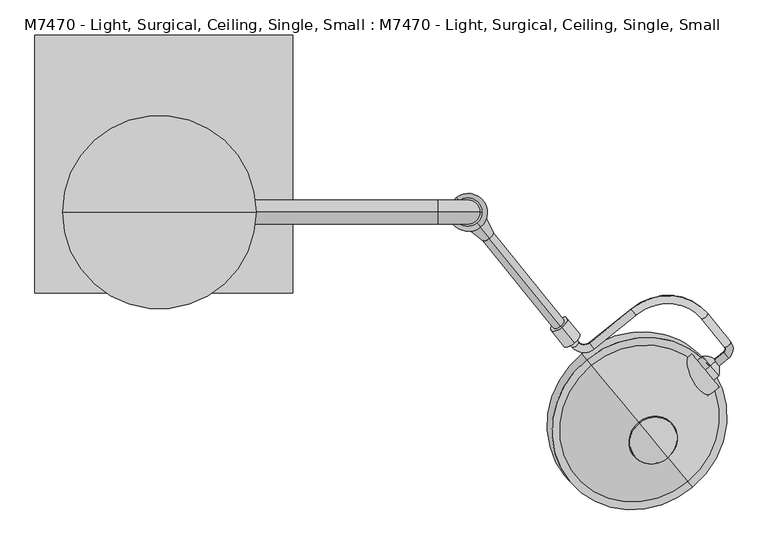
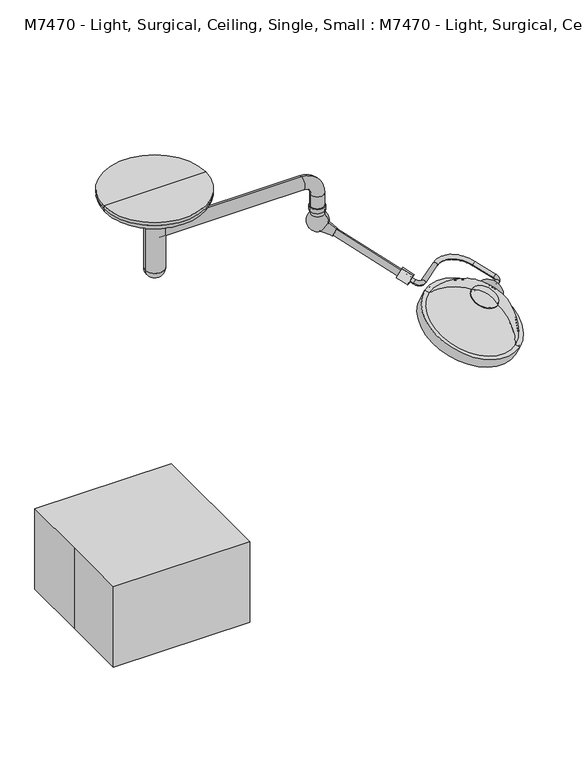
"""IFC4 building model written with IfcOpenShell, lengths in millimetres: proxy geometry, M7470 - Light, Surgical, Ceiling, Single, Small : M7470 - Light, Surgical, Ceiling, Single, Small."""

from ifc_helpers import new_model, si_unit, point, frame, frame_2d, origin, origin_with_axes, origin_2d, place, context, project, spatial, polyline, circle_curve, ellipse_curve, trimmed, segment, composite_curve, outline, extrude, source, transform, mapped, element, save
from ifc_brep_helpers import plane_surface, cylinder_surface, revolved_surface, advanced_brep


def m7470_light_surgical_ceiling_single_small_m7470_light_b6bf849b(model_context):
    return source(origin(), model_context, "Body", "SolidModel", [
        advanced_brep(
        [(1740.835031, -642.2802758, 1788.6604265), (1726.2322463, -624.2473385, 1798.9915373), (1777.4892739, -612.5982552, 1788.6604265), (1762.8864892, -594.5653179, 1798.9915373), (1765.4548505, -577.5564802, 1804.1570926), (1785.194358, -561.5717423, 1804.1570926), (1712.7149421, -472.0671177, 1855.4344952), (1692.9754347, -488.0518556, 1855.4344952), (1486.9216817, -475.7626592, 1917.4211596), (1472.318897, -457.7297218, 1927.7522704), (1340.6688003, -564.3378681, 1927.7522704), (1355.271585, -582.3708055, 1917.4211596), (1286.5870007, -578.2744067, 1938.0833811), (1306.3265081, -562.2896687, 1938.0833811), (1251.0372497, -494.0131207, 1977.1991704), (1231.2977423, -509.9978587, 1977.1991704)],
        [
            (0, 1, circle_curve(frame((1733.5336387, -633.2638072, 1793.8259819), z_axis=(-0.7771459614569792, -0.6293203910498273, 0.0), x_axis=(-0.5749127846454345, 0.7099581630143155, 0.40673664307580054)), 12.7)),
            (1, 0, circle_curve(frame((1733.5336387, -633.2638072, 1793.8259819), z_axis=(-0.7771459614569792, -0.6293203910498273, 0.0), x_axis=(-0.5749127846454345, 0.7099581630143155, 0.40673664307580054)), 12.7)),
            (0, 2),
            (2, 3, circle_curve(frame((1770.1878816, -603.5817865, 1793.8259819), z_axis=(-0.7771459614569792, -0.6293203910498273, 0.0), x_axis=(-0.5749127846454345, 0.7099581630143155, 0.40673664307580054)), 12.7)),
            (3, 1),
            (3, 2, circle_curve(frame((1770.1878816, -603.5817865, 1793.8259819), z_axis=(-0.7771459614569792, -0.6293203910498273, 0.0), x_axis=(-0.5749127846454345, 0.7099581630143155, 0.40673664307580054)), 12.7)),
            (4, 3, circle_curve(frame((1755.5850968, -585.5488492, 1804.1570926), z_axis=(-0.2559676632747577, 0.31609373954292624, -0.9135454576426008), x_axis=(0.5749127846454357, -0.7099581630143145, -0.4067366430758004)), 12.7)),
            (2, 5, circle_curve(frame((1755.5850968, -585.5488492, 1804.1570926), z_axis=(0.2559676632747577, -0.31609373954292624, 0.9135454576426008), x_axis=(0.5749127846454357, -0.7099581630143145, -0.4067366430758004)), 38.1)),
            (5, 4, circle_curve(frame((1775.3246043, -569.5641113, 1804.1570926), z_axis=(0.57491278464543, -0.709958163014319, -0.4067366430758005), x_axis=(-0.7771459614569827, -0.6293203910498232, 0.0)), 12.7)),
            (4, 5, circle_curve(frame((1775.3246043, -569.5641113, 1804.1570926), z_axis=(0.5749127846454107, -0.7099581630143347, -0.4067366430758005), x_axis=(-0.777145961456997, -0.6293203910498055, 0.0)), 12.7)),
            (5, 6),
            (6, 7, circle_curve(frame((1702.8451884, -480.0594867, 1855.4344952), z_axis=(0.5749127846454346, -0.7099581630143152, -0.40673664307580043), x_axis=(-0.777145961456979, -0.6293203910498273, 0.0)), 12.7)),
            (7, 4),
            (7, 6, circle_curve(frame((1702.8451884, -480.0594867, 1855.4344952), z_axis=(0.5749127846454346, -0.7099581630143152, -0.40673664307580043), x_axis=(-0.777145961456979, -0.6293203910498273, 0.0)), 12.7)),
            (8, 7, circle_curve(frame((1574.5383901, -583.9602832, 1855.4344952), z_axis=(-0.2559676632747577, 0.31609373954292624, -0.9135454576426008), x_axis=(0.7771459614569818, 0.6293203910498242, 0.0)), 152.4)),
            (6, 9, circle_curve(frame((1574.5383901, -583.9602832, 1855.4344952), z_axis=(0.2559676632747577, -0.31609373954292624, 0.9135454576426008), x_axis=(0.7771459614569818, 0.6293203910498242, 0.0)), 177.8)),
            (9, 8, circle_curve(frame((1479.6202894, -466.7461905, 1922.586715), z_axis=(0.7771459614569788, 0.629320391049828, 0.0), x_axis=(0.5749127846454353, -0.7099581630143151, -0.4067366430758004)), 12.7)),
            (8, 9, circle_curve(frame((1479.6202894, -466.7461905, 1922.586715), z_axis=(0.7771459614569776, 0.6293203910498293, 0.0), x_axis=(0.5749127846454368, -0.7099581630143139, -0.4067366430758004)), 12.7)),
            (9, 10),
            (10, 11, circle_curve(frame((1347.9701926, -573.3543368, 1922.586715), z_axis=(0.777145961456978, 0.6293203910498286, 0.0), x_axis=(0.574912784645436, -0.7099581630143144, -0.4067366430758003)), 12.7)),
            (11, 8),
            (11, 10, circle_curve(frame((1347.9701926, -573.3543368, 1922.586715), z_axis=(0.777145961456978, 0.6293203910498286, 0.0), x_axis=(0.574912784645436, -0.7099581630143144, -0.4067366430758003)), 12.7)),
            (12, 11, circle_curve(frame((1326.0660155, -546.3049308, 1938.0833811), z_axis=(0.2559676632747577, -0.31609373954292624, 0.9135454576426008), x_axis=(0.5749127846454407, -0.7099581630143105, -0.4067366430758004)), 50.8)),
            (10, 13, circle_curve(frame((1326.0660155, -546.3049308, 1938.0833811), z_axis=(-0.2559676632747577, 0.31609373954292624, -0.9135454576426008), x_axis=(0.5749127846454407, -0.7099581630143105, -0.4067366430758004)), 25.4)),
            (13, 12, circle_curve(frame((1296.4567544, -570.2820377, 1938.0833811), z_axis=(0.5749127846454364, -0.7099581630143139, -0.40673664307580054), x_axis=(-0.777145961456978, -0.6293203910498291, 0.0)), 12.7)),
            (12, 13, circle_curve(frame((1296.4567544, -570.2820377, 1938.0833811), z_axis=(0.5749127846454343, -0.7099581630143156, -0.40673664307580054), x_axis=(-0.7771459614569796, -0.6293203910498272, 0.0)), 12.7)),
            (14, 15, circle_curve(frame((1241.167496, -502.0054897, 1977.1991704), z_axis=(-0.5749127846454374, 0.7099581630143132, 0.40673664307580004), x_axis=(-0.7771459614569771, -0.6293203910498298, 0.0)), 12.7)),
            (15, 14, circle_curve(frame((1241.167496, -502.0054897, 1977.1991704), z_axis=(-0.5749127846454374, 0.7099581630143132, 0.40673664307580004), x_axis=(-0.7771459614569771, -0.6293203910498298, 0.0)), 12.7)),
            (13, 14),
            (15, 12),
        ],
        [
            plane_surface(frame((1306.7585861, -106.2405083, 270.6710423), z_axis=(-0.7771459614569792, -0.6293203910498271, 0.0), x_axis=(0.2559676632747578, -0.3160937395429264, 0.9135454576426008))),
            cylinder_surface(frame((1733.5336387, -633.2638072, 1793.8259819), z_axis=(-0.7771459614569792, -0.6293203910498273, 0.0), x_axis=(-0.5749127846454345, 0.7099581630143155, 0.40673664307580054)), 12.7),
            revolved_surface(trimmed(ellipse_curve(frame((1770.1878816, -603.5817865, 1793.8259819), z_axis=(-0.7771459614569786, -0.6293203910498283, 0.0), x_axis=(-0.5749127846454356, 0.7099581630143146, 0.40673664307580043)), 12.7, 12.7), [point((1777.4892739, -612.5982552, 1788.6604265))], [point((1762.8864892, -594.5653179, 1798.9915373))], True, "CARTESIAN"), (1328.8100443, -58.5255503, 281.0021531), (0.25596766327475773, -0.3160937395429263, 0.913545457642601)),
            revolved_surface(trimmed(ellipse_curve(frame((1770.1878816, -603.5817865, 1793.8259819), z_axis=(-0.7771459614569786, -0.6293203910498283, 0.0), x_axis=(-0.5749127846454356, 0.7099581630143146, 0.40673664307580043)), 12.7, 12.7), [point((1762.8864892, -594.5653179, 1798.9915373))], [point((1777.4892739, -612.5982552, 1788.6604265))], True, "CARTESIAN"), (1328.8100443, -58.5255503, 281.0021531), (0.25596766327475773, -0.3160937395429263, 0.913545457642601)),
            cylinder_surface(frame((1775.3246043, -569.5641113, 1804.1570926), z_axis=(0.5749127846454346, -0.7099581630143152, -0.40673664307580043), x_axis=(-0.777145961456979, -0.6293203910498273, 0.0)), 12.7),
            revolved_surface(trimmed(ellipse_curve(frame((1702.8451884, -480.0594867, 1855.4344952), z_axis=(0.5749127846454308, -0.7099581630143185, -0.4067366430758007), x_axis=(-0.777145961456982, -0.6293203910498238, 0.0)), 12.7, 12.7), [point((1712.7149421, -472.0671177, 1855.4344952))], [point((1692.9754347, -488.0518556, 1855.4344952))], True, "CARTESIAN"), (1147.7633376, -56.9369844, 332.2795556), (0.25596766327475773, -0.3160937395429263, 0.913545457642601)),
            revolved_surface(trimmed(ellipse_curve(frame((1702.8451884, -480.0594867, 1855.4344952), z_axis=(0.5749127846454308, -0.7099581630143185, -0.4067366430758007), x_axis=(-0.777145961456982, -0.6293203910498238, 0.0)), 12.7, 12.7), [point((1692.9754347, -488.0518556, 1855.4344952))], [point((1712.7149421, -472.0671177, 1855.4344952))], True, "CARTESIAN"), (1147.7633376, -56.9369844, 332.2795556), (0.25596766327475773, -0.3160937395429263, 0.913545457642601)),
            cylinder_surface(frame((1479.6202894, -466.7461905, 1922.586715), z_axis=(0.7771459614569782, 0.6293203910498287, 0.0), x_axis=(0.574912784645436, -0.7099581630143144, -0.4067366430758003)), 12.7),
            revolved_surface(trimmed(ellipse_curve(frame((1347.9701926, -573.3543368, 1922.586715), z_axis=(0.777145961456975, 0.629320391049833, 0.0), x_axis=(0.5749127846454405, -0.7099581630143107, -0.4067366430758002)), 12.7, 12.7), [point((1340.6688003, -564.3378681, 1927.7522704))], [point((1355.271585, -582.3708055, 1917.4211596))], True, "CARTESIAN"), (899.290963, -19.2816319, 414.9284415), (-0.25596766327475773, 0.3160937395429263, -0.913545457642601)),
            revolved_surface(trimmed(ellipse_curve(frame((1347.9701926, -573.3543368, 1922.586715), z_axis=(0.777145961456975, 0.629320391049833, 0.0), x_axis=(0.5749127846454405, -0.7099581630143107, -0.4067366430758002)), 12.7, 12.7), [point((1355.271585, -582.3708055, 1917.4211596))], [point((1340.6688003, -564.3378681, 1927.7522704))], True, "CARTESIAN"), (899.290963, -19.2816319, 414.9284415), (-0.25596766327475773, 0.3160937395429263, -0.913545457642601)),
            plane_surface(frame((814.3924435, 25.0178092, 454.0442308), z_axis=(-0.5749127846454377, 0.7099581630143132, 0.4067366430758001), x_axis=(0.25596766327475756, -0.3160937395429259, 0.9135454576426011))),
            cylinder_surface(frame((1296.4567544, -570.2820377, 1938.0833811), z_axis=(0.5749127846454374, -0.7099581630143132, -0.40673664307580004), x_axis=(-0.7771459614569771, -0.6293203910498298, 0.0)), 12.7),
        ],
        [
            (0, [[1, 2]]),
            (1, [[-1, 3, 4, 5]]),
            (1, [[-2, -5, 6, -3]]),
            (2, [[7, -4, 8, 9]]),
            (3, [[-8, -6, -7, 10]]),
            (4, [[-9, 11, 12, 13]]),
            (4, [[-10, -13, 14, -11]]),
            (5, [[15, -12, 16, 17]]),
            (6, [[-16, -14, -15, 18]]),
            (7, [[-17, 19, 20, 21]]),
            (7, [[-18, -21, 22, -19]]),
            (8, [[23, -20, 24, 25]]),
            (9, [[-24, -22, -23, 26]]),
            (10, [[27, 28]]),
            (11, [[-25, 29, -28, 30]]),
            (11, [[-26, -30, -27, -29]]),
        ],
    ),
        advanced_brep(
        [(1721.261074, -637.7345795, 1750.993259), (1721.261074, -637.7345795, 1832.2108067), (1705.2225201, -651.0325107, 1832.2108067), (1705.2225201, -651.0325107, 1750.993259), (1741.0506282, -621.3266083, 1791.6020328), (1705.2225201, -651.0325107, 1791.6020328)],
        [
            (0, 1, circle_curve(frame((1721.261074, -637.7345795, 1791.6020328), z_axis=(-0.7698129796821993, -0.6382695169854298, 0.0), x_axis=(0.0, 0.0, 1.0)), 40.6087738)),
            (1, 2),
            (2, 3, circle_curve(frame((1705.2225201, -651.0325107, 1791.6020328), z_axis=(0.7698129796821993, 0.6382695169854298, 0.0), x_axis=(0.0, 0.0, 1.0)), 40.6087738)),
            (3, 0),
            (1, 0, circle_curve(frame((1721.261074, -637.7345795, 1791.6020328), z_axis=(-0.7698129796821993, -0.6382695169854298, 0.0), x_axis=(0.0, 0.0, 1.0)), 40.6087738)),
            (3, 2, circle_curve(frame((1705.2225201, -651.0325107, 1791.6020328), z_axis=(0.7698129796821993, 0.6382695169854298, 0.0), x_axis=(0.0, 0.0, 1.0)), 40.6087738)),
            (4, 1, circle_curve(frame((1698.880381, -656.290923, 1785.3653606), z_axis=(0.6382695169854297, -0.7698129796821994, 0.0), x_axis=(-0.7698129796821995, -0.6382695169854296, 0.0)), 55.1337385)),
            (0, 4, circle_curve(frame((1698.880381, -656.290923, 1797.8387051), z_axis=(0.6382695169854301, -0.769812979682199, 0.0), x_axis=(-0.7698129796821991, -0.63826951698543, 0.0)), 55.1337385)),
            (2, 5),
            (5, 3),
        ],
        [
            cylinder_surface(frame((1705.2225201, -651.0325107, 1791.6020328), z_axis=(0.7698129796821993, 0.6382695169854298, 0.0), x_axis=(0.0, 0.0, 1.0)), 40.6087738),
            revolved_surface(trimmed(ellipse_curve(frame((1698.880381, -656.290923, 1785.3653606), z_axis=(-0.6382695169854297, 0.7698129796821994, 0.0), x_axis=(-0.7698129796821995, -0.6382695169854296, 0.0)), 55.1337385, 55.1337385), [point((1721.261074, -637.7345795, 1832.2108067))], [point((1741.0506282, -621.3266083, 1791.6020328))], True, "CARTESIAN"), (1705.2225201, -651.0325107, 1791.6020328), (0.7698129796821993, 0.6382695169854298, 0.0)),
            revolved_surface(trimmed(ellipse_curve(frame((1698.880381, -656.290923, 1785.3653606), z_axis=(-0.6382695169854296, 0.7698129796821995, 0.0), x_axis=(-0.7698129796821996, -0.6382695169854294, 0.0)), 55.1337385, 55.1337385), [point((1721.261074, -637.7345795, 1832.2108067))], [point((1741.0506282, -621.3266083, 1791.6020328))], True, "CARTESIAN"), (1705.2225201, -651.0325107, 1791.6020328), (0.7698129796821993, 0.6382695169854298, 0.0)),
            plane_surface(frame((1705.2225201, -651.0325107, 1791.6020328), z_axis=(-0.7698129796821992, -0.6382695169854299, 0.0), x_axis=(0.0, 0.0, 1.0))),
        ],
        [
            (0, [[1, 2, 3, 4]]),
            (0, [[5, -4, 6, -2]]),
            (1, [[7, -1, 8]]),
            (2, [[-8, -5, -7]]),
            (3, [[-3, 9, 10]]),
            (3, [[-6, -10, -9]]),
        ],
    ),
        advanced_brep(
        [(1496.9081674, -817.6344001, 1971.5946884), (1587.2262401, -926.5664779, 1908.5927814), (1549.4769053, -881.037235, 1966.168084), (1495.0601272, -815.4054901, 1968.9876662), (1587.2262401, -926.5664779, 1904.6966478), (1545.2418093, -875.9293114, 1951.2650044)],
        [
            (0, 1, circle_curve(frame((1542.0672038, -872.100439, 1940.0937349), z_axis=(0.25960760071626565, -0.31311114715211635, 0.9135454576426013), x_axis=(0.5830882179937766, -0.7032591508229892, -0.4067366430757995)), 77.4480344)),
            (1, 2, circle_curve(frame((1480.1450063, -797.4164536, 1795.4205002), z_axis=(-0.7698129796821995, -0.6382695169854299, 0.0), x_axis=(-0.6382695169854299, 0.7698129796821994, 0.0)), 202.3711557)),
            (2, 0, circle_curve(frame((1514.8788649, -839.308749, 1771.1916913), z_axis=(-0.7698129796821976, -0.6382695169854321, 0.0), x_axis=(0.42708566892083927, -0.5151054258776686, -0.7431448254773932)), 202.3711557)),
            (1, 0, circle_curve(frame((1542.0672038, -872.100439, 1940.0937349), z_axis=(0.25960760071626565, -0.31311114715211635, 0.9135454576426013), x_axis=(0.5830882179937766, -0.7032591508229892, -0.4067366430757995)), 77.4480344)),
            (3, 4, circle_curve(frame((1541.1431837, -870.985984, 1936.842157), z_axis=(0.25960760071626565, -0.31311114715211635, 0.9135454576426013), x_axis=(0.5830882179937766, -0.7032591508229892, -0.4067366430757995)), 79.0327347)),
            (4, 1),
            (0, 3),
            (4, 3, circle_curve(frame((1541.1431837, -870.985984, 1936.842157), z_axis=(0.25960760071626565, -0.31311114715211635, 0.9135454576426013), x_axis=(0.5830882179937766, -0.7032591508229892, -0.4067366430757995)), 79.0327347)),
            (5, 4, circle_curve(frame((1462.5480105, -776.192824, 1698.5195886), z_axis=(0.7698129796821995, 0.6382695169854299, 0.0), x_axis=(-0.6382695169854299, 0.7698129796821994, 0.0)), 284.0173877)),
            (3, 5, circle_curve(frame((1480.6908648, -798.0748102, 1685.8639329), z_axis=(0.7698129796821976, 0.6382695169854321, 0.0), x_axis=(0.42708566892083927, -0.5151054258776686, -0.7431448254773932)), 284.0173877)),
        ],
        [
            revolved_surface(trimmed(ellipse_curve(frame((1480.1450063, -797.4164536, 1795.4205002), z_axis=(0.7698129796821995, 0.6382695169854299, 0.0), x_axis=(-0.6382695169854299, 0.7698129796821994, 0.0)), 202.3711557, 202.3711557), [point((1549.4769053, -881.037235, 1966.168084))], [point((1587.2262401, -926.5664779, 1908.5927814))], True, "CARTESIAN"), (1516.9910853, -841.8562852, 1851.8521965), (-0.25960760071626565, 0.31311114715211635, -0.9135454576426013)),
            revolved_surface(trimmed(ellipse_curve(frame((1480.1450063, -797.4164536, 1795.4205002), z_axis=(0.7698129796821993, 0.6382695169854298, 0.0), x_axis=(-0.6382695169854298, 0.7698129796821993, 0.0)), 202.3711557, 202.3711557), [point((1549.4769053, -881.037235, 1966.168084))], [point((1587.2262401, -926.5664779, 1908.5927814))], True, "CARTESIAN"), (1516.9910853, -841.8562852, 1851.8521965), (-0.25960760071626565, 0.31311114715211635, -0.9135454576426013)),
            revolved_surface(polyline([(1587.2262401, -926.5664779, 1908.5927814), (1587.2262401, -926.5664779, 1904.6966478)]), (1516.9910853, -841.8562852, 1851.8521965), (-0.25960760071626565, 0.31311114715211635, -0.9135454576426013)),
            revolved_surface(trimmed(ellipse_curve(frame((1462.5480105, -776.192824, 1698.5195886), z_axis=(-0.7698129796821995, -0.6382695169854299, 0.0), x_axis=(-0.6382695169854299, 0.7698129796821994, 0.0)), 284.0173877, 284.0173877), [point((1587.2262401, -926.5664779, 1904.6966478))], [point((1545.2418093, -875.9293114, 1951.2650044))], True, "CARTESIAN"), (1516.9910853, -841.8562852, 1851.8521965), (-0.25960760071626565, 0.31311114715211635, -0.9135454576426013)),
            revolved_surface(trimmed(ellipse_curve(frame((1462.5480105, -776.192824, 1698.5195886), z_axis=(-0.7698129796821993, -0.6382695169854298, 0.0), x_axis=(-0.6382695169854298, 0.7698129796821993, 0.0)), 284.0173877, 284.0173877), [point((1587.2262401, -926.5664779, 1904.6966478))], [point((1545.2418093, -875.9293114, 1951.2650044))], True, "CARTESIAN"), (1516.9910853, -841.8562852, 1851.8521965), (-0.25960760071626565, 0.31311114715211635, -0.9135454576426013)),
        ],
        [
            (0, [[1, 2, 3]]),
            (1, [[4, -3, -2]]),
            (2, [[5, 6, -1, 7]]),
            (2, [[8, -7, -4, -6]]),
            (3, [[9, -5, 10]]),
            (4, [[-10, -8, -9]]),
        ],
    ),
        advanced_brep(
        [(1448.7501126, -759.5512633, 1611.7158117), (1441.3448922, -750.6198721, 1616.8813671), (1456.1553329, -768.4826545, 1606.5502563), (1451.1647669, -762.4635632, 1596.5425198), (1439.9372961, -748.922179, 1604.3743086), (1445.5510315, -755.6928711, 1600.4584142)],
        [
            (0, 1),
            (1, 2, circle_curve(frame((1448.7501126, -759.5512633, 1611.7158117), z_axis=(0.2596076007162656, -0.31311114715211635, 0.9135454576426013), x_axis=(-0.5830882179937766, 0.7032591508229892, 0.40673664307579943)), 12.7)),
            (2, 0),
            (2, 1, circle_curve(frame((1448.7501126, -759.5512633, 1611.7158117), z_axis=(0.2596076007162656, -0.31311114715211635, 0.9135454576426013), x_axis=(-0.5830882179937766, 0.7032591508229892, 0.40673664307579943)), 12.7)),
            (3, 4, circle_curve(frame((1445.5510315, -755.6928711, 1600.4584142), z_axis=(-0.2596076007162656, 0.31311114715211635, -0.9135454576426013), x_axis=(-0.5830882179937766, 0.7032591508229892, 0.40673664307579943)), 9.6275919)),
            (4, 5),
            (5, 3),
            (4, 3, circle_curve(frame((1445.5510315, -755.6928711, 1600.4584142), z_axis=(-0.2596076007162656, 0.31311114715211635, -0.9135454576426013), x_axis=(-0.5830882179937766, 0.7032591508229892, 0.40673664307579943)), 9.6275919)),
            (1, 4),
            (3, 2),
        ],
        [
            plane_surface(frame((1448.7501126, -759.5512633, 1611.7158117), z_axis=(0.25960760071626565, -0.31311114715211635, 0.9135454576426012), x_axis=(-0.5830882179937766, 0.7032591508229892, 0.40673664307579943))),
            plane_surface(frame((1445.5510315, -755.6928711, 1600.4584142), z_axis=(-0.25960760071626565, 0.31311114715211635, -0.9135454576426012), x_axis=(-0.5830882179937766, 0.7032591508229892, 0.40673664307579943))),
            revolved_surface(polyline([(1439.9372961, -748.922179, 1604.3743086), (1441.3448922, -750.6198721, 1616.8813671)]), (1475.1262448, -791.3633558, 1704.5320302), (0.2596076007162656, -0.31311114715211635, 0.9135454576426013)),
        ],
        [
            (0, [[1, 2, 3]]),
            (0, [[-3, 4, -1]]),
            (1, [[5, 6, 7]]),
            (1, [[8, -7, -6]]),
            (2, [[-2, 9, -5, 10]]),
            (2, [[-4, -10, -8, -9]]),
        ],
    ),
        advanced_brep(
        [(1475.1262448, -791.3633558, 1704.5320302), (1464.0184142, -777.966269, 1712.2803632), (1486.2340754, -804.7604427, 1696.7836971), (1459.8579431, -772.9483501, 1603.9674786), (1437.642282, -746.1541765, 1619.4641447), (1448.7501126, -759.5512633, 1611.7158117)],
        [
            (0, 1),
            (1, 2, circle_curve(frame((1475.1262448, -791.3633558, 1704.5320302), z_axis=(0.2596076007162656, -0.31311114715211635, 0.9135454576426013), x_axis=(-0.5830882179937766, 0.7032591508229892, 0.40673664307579943)), 19.05)),
            (2, 0),
            (2, 1, circle_curve(frame((1475.1262448, -791.3633558, 1704.5320302), z_axis=(0.2596076007162656, -0.31311114715211635, 0.9135454576426013), x_axis=(-0.5830882179937766, 0.7032591508229892, 0.40673664307579943)), 19.05)),
            (3, 4, circle_curve(frame((1448.7501126, -759.5512633, 1611.7158117), z_axis=(-0.2596076007162656, 0.31311114715211635, -0.9135454576426013), x_axis=(-0.5830882179937766, 0.7032591508229892, 0.40673664307579943)), 19.05)),
            (4, 5),
            (5, 3),
            (4, 3, circle_curve(frame((1448.7501126, -759.5512633, 1611.7158117), z_axis=(-0.2596076007162656, 0.31311114715211635, -0.9135454576426013), x_axis=(-0.5830882179937766, 0.7032591508229892, 0.40673664307579943)), 19.05)),
            (1, 4),
            (3, 2),
        ],
        [
            plane_surface(frame((1475.1262448, -791.3633558, 1704.5320302), z_axis=(0.25960760071626565, -0.31311114715211635, 0.9135454576426012), x_axis=(-0.5830882179937766, 0.7032591508229892, 0.40673664307579943))),
            plane_surface(frame((1448.7501126, -759.5512633, 1611.7158117), z_axis=(-0.25960760071626565, 0.31311114715211635, -0.9135454576426012), x_axis=(-0.5830882179937766, 0.7032591508229892, 0.40673664307579943))),
            cylinder_surface(frame((1475.1262448, -791.3633558, 1704.5320302), z_axis=(0.2596076007162656, -0.31311114715211635, 0.9135454576426013), x_axis=(-0.5830882179937766, 0.7032591508229892, 0.40673664307579943)), 19.05),
        ],
        [
            (0, [[1, 2, 3]]),
            (0, [[-3, 4, -1]]),
            (1, [[5, 6, 7]]),
            (1, [[8, -7, -6]]),
            (2, [[-2, 9, -5, 10]]),
            (2, [[-4, -10, -8, -9]]),
        ],
    ),
        advanced_brep(
        [(1480.0717696, -797.3281232, 1721.9350712), (1454.1534983, -766.0682539, 1740.0145149), (1505.9900409, -828.5879925, 1703.8556274), (1501.0445161, -822.6232251, 1686.4525864), (1449.2079735, -760.1034866, 1722.611474), (1475.1262448, -791.3633558, 1704.5320302)],
        [
            (0, 1),
            (1, 2, circle_curve(frame((1480.0717696, -797.3281232, 1721.9350712), z_axis=(0.2596076007162652, -0.31311114715211585, 0.9135454576426016), x_axis=(-0.5830882179937769, 0.7032591508229895, 0.4067366430757988)), 44.45)),
            (2, 0),
            (2, 1, circle_curve(frame((1480.0717696, -797.3281232, 1721.9350712), z_axis=(0.2596076007162652, -0.31311114715211585, 0.9135454576426016), x_axis=(-0.5830882179937769, 0.7032591508229895, 0.4067366430757988)), 44.45)),
            (3, 4, circle_curve(frame((1475.1262448, -791.3633558, 1704.5320302), z_axis=(-0.2596076007162652, 0.31311114715211585, -0.9135454576426016), x_axis=(-0.5830882179937769, 0.7032591508229895, 0.4067366430757988)), 44.45)),
            (4, 5),
            (5, 3),
            (4, 3, circle_curve(frame((1475.1262448, -791.3633558, 1704.5320302), z_axis=(-0.2596076007162652, 0.31311114715211585, -0.9135454576426016), x_axis=(-0.5830882179937769, 0.7032591508229895, 0.4067366430757988)), 44.45)),
            (1, 4),
            (3, 2),
        ],
        [
            plane_surface(frame((1480.0717696, -797.3281232, 1721.9350712), z_axis=(0.25960760071626526, -0.31311114715211585, 0.9135454576426016), x_axis=(-0.5830882179937769, 0.7032591508229895, 0.4067366430757988))),
            plane_surface(frame((1475.1262448, -791.3633558, 1704.5320302), z_axis=(-0.25960760071626526, 0.31311114715211585, -0.9135454576426016), x_axis=(-0.5830882179937769, 0.7032591508229895, 0.4067366430757988))),
            cylinder_surface(frame((1480.0717696, -797.3281232, 1721.9350712), z_axis=(0.2596076007162652, -0.31311114715211585, 0.9135454576426016), x_axis=(-0.5830882179937769, 0.7032591508229895, 0.4067366430757988)), 44.45),
        ],
        [
            (0, [[1, 2, 3]]),
            (0, [[-3, 4, -1]]),
            (1, [[5, 6, 7]]),
            (1, [[8, -7, -6]]),
            (2, [[-2, 9, -5, 10]]),
            (2, [[-4, -10, -8, -9]]),
        ],
    ),
        advanced_brep(
        [(1483.0837441, -800.9608473, 1732.5340505), (1449.7602524, -760.7695868, 1755.7790497), (1516.4072357, -841.1521078, 1709.2890514), (1510.3832868, -833.8866596, 1700.7910927), (1449.7602524, -760.7695868, 1743.0790497), (1480.0717696, -797.3281232, 1721.9350712)],
        [
            (0, 1),
            (1, 2, circle_curve(frame((1483.0837441, -800.9608473, 1732.5340505), z_axis=(0.25960760071626576, -0.3131111471521165, 0.9135454576426012), x_axis=(-0.5830882179937765, 0.7032591508229892, 0.40673664307579965)), 57.15)),
            (2, 0),
            (2, 1, circle_curve(frame((1483.0837441, -800.9608473, 1732.5340505), z_axis=(0.25960760071626576, -0.3131111471521165, 0.9135454576426012), x_axis=(-0.5830882179937765, 0.7032591508229892, 0.40673664307579965)), 57.15)),
            (3, 4, circle_curve(frame((1480.0717696, -797.3281232, 1721.9350712), z_axis=(-0.25960760071626576, 0.3131111471521165, -0.9135454576426012), x_axis=(-0.5830882179937765, 0.7032591508229892, 0.40673664307579965)), 51.9844446)),
            (4, 5),
            (5, 3),
            (4, 3, circle_curve(frame((1480.0717696, -797.3281232, 1721.9350712), z_axis=(-0.25960760071626576, 0.3131111471521165, -0.9135454576426012), x_axis=(-0.5830882179937765, 0.7032591508229892, 0.40673664307579965)), 51.9844446)),
            (1, 4),
            (3, 2),
        ],
        [
            plane_surface(frame((1483.0837441, -800.9608473, 1732.5340505), z_axis=(0.25960760071626576, -0.3131111471521165, 0.9135454576426012), x_axis=(-0.5830882179937765, 0.7032591508229892, 0.40673664307579965))),
            plane_surface(frame((1480.0717696, -797.3281232, 1721.9350712), z_axis=(-0.25960760071626576, 0.3131111471521165, -0.9135454576426012), x_axis=(-0.5830882179937765, 0.7032591508229892, 0.40673664307579965))),
            revolved_surface(polyline([(1449.7602524, -760.7695868, 1743.0790497), (1449.7602524, -760.7695868, 1755.7790497)]), (1483.0837441, -800.9608473, 1732.5340505), (0.25960760071626576, -0.3131111471521165, 0.9135454576426012)),
        ],
        [
            (0, [[1, 2, 3]]),
            (0, [[-3, 4, -1]]),
            (1, [[5, 6, 7]]),
            (1, [[8, -7, -6]]),
            (2, [[-2, 9, -5, 10]]),
            (2, [[-4, -10, -8, -9]]),
        ],
    ),
        extrude(outline(composite_curve([segment(polyline([(-25.1937137, -4.6953206), (31.6273953, -132.317621)]), True, "CONTINUOUS"), segment(trimmed(circle_curve(frame_2d((0.0, -69.9387006)), 69.9387006), [point((31.6273953, -132.317621))], [point((-25.1937137, -4.6953206))], False, "CARTESIAN"), True, "CONTINUOUS")], self_intersect=False)), frame((1594.6393305, -649.6721512, 1787.9600142), z_axis=(0.7698129796821992, 0.6382695169854299, 0.0), x_axis=(0.0, 0.0, -1.0)), (0.0, 0.0, 1.0), 84.2600986),
        advanced_brep(
        [(1346.1133009, -635.7616294, 1890.6370584), (1649.727336, -1001.9486693, 1678.8492884), (1545.2465329, -875.9350086, 1951.2816266), (1350.1582608, -640.640231, 1887.8154726), (1645.6823761, -997.0700677, 1681.6708742), (1543.5949178, -873.9430057, 1945.4696802)],
        [
            (0, 1, circle_curve(frame((1497.9203184, -818.8551493, 1784.7431734), z_axis=(0.2596076007162657, -0.31311114715211646, 0.9135454576426013), x_axis=(0.5830882179937766, -0.7032591508229892, -0.4067366430757996)), 260.35)),
            (1, 2, circle_curve(frame((1455.7322005, -767.972317, 1681.618951), z_axis=(-0.7698129796821995, -0.6382695169854298, 0.0), x_axis=(-0.6382695169854299, 0.7698129796821995, 0.0)), 303.9518334)),
            (2, 0, circle_curve(frame((1477.2351085, -793.9068435, 1666.6194701), z_axis=(-0.7698129796821976, -0.6382695169854323, 0.0), x_axis=(0.4270856689208392, -0.5151054258776685, -0.7431448254773935)), 303.9518334)),
            (1, 0, circle_curve(frame((1497.9203184, -818.8551493, 1784.7431734), z_axis=(0.2596076007162657, -0.31311114715211646, 0.9135454576426013), x_axis=(0.5830882179937766, -0.7032591508229892, -0.4067366430757996)), 260.35)),
            (3, 4, circle_curve(frame((1497.9203184, -818.8551493, 1784.7431734), z_axis=(0.2596076007162657, -0.31311114715211646, 0.9135454576426013), x_axis=(0.5830882179937766, -0.7032591508229892, -0.4067366430757996)), 253.412868)),
            (4, 1),
            (0, 3),
            (4, 3, circle_curve(frame((1497.9203184, -818.8551493, 1784.7431734), z_axis=(0.2596076007162657, -0.31311114715211646, 0.9135454576426013), x_axis=(0.5830882179937766, -0.7032591508229892, -0.4067366430757996)), 253.412868)),
            (5, 4, circle_curve(frame((1455.7322005, -767.972317, 1681.618951), z_axis=(0.7698129796821995, 0.6382695169854298, 0.0), x_axis=(-0.6382695169854299, 0.7698129796821995, 0.0)), 297.6018334)),
            (3, 5, circle_curve(frame((1477.2351085, -793.9068435, 1666.6194701), z_axis=(0.7698129796821976, 0.6382695169854323, 0.0), x_axis=(0.4270856689208392, -0.5151054258776685, -0.7431448254773935)), 297.6018334)),
        ],
        [
            revolved_surface(trimmed(ellipse_curve(frame((1455.7322005, -767.972317, 1681.618951), z_axis=(0.7698129796821995, 0.6382695169854298, 0.0), x_axis=(-0.6382695169854299, 0.7698129796821995, 0.0)), 303.9518334, 303.9518334), [point((1545.2465329, -875.9350086, 1951.2816266))], [point((1649.727336, -1001.9486693, 1678.8492884))], True, "CARTESIAN"), (1497.9203184, -818.8551493, 1784.7431734), (-0.2596076007162657, 0.31311114715211646, -0.9135454576426013)),
            revolved_surface(trimmed(ellipse_curve(frame((1455.7322005, -767.972317, 1681.618951), z_axis=(0.7698129796821995, 0.6382695169854299, 0.0), x_axis=(-0.6382695169854299, 0.7698129796821995, 0.0)), 303.9518334, 303.9518334), [point((1545.2465329, -875.9350086, 1951.2816266))], [point((1649.727336, -1001.9486693, 1678.8492884))], True, "CARTESIAN"), (1497.9203184, -818.8551493, 1784.7431734), (-0.2596076007162657, 0.31311114715211646, -0.9135454576426013)),
            plane_surface(frame((1497.9203184, -818.8551493, 1784.7431734), z_axis=(-0.25960760071626576, 0.31311114715211646, -0.9135454576426012), x_axis=(0.5830882179937766, -0.7032591508229892, -0.4067366430757996))),
            revolved_surface(trimmed(ellipse_curve(frame((1455.7322005, -767.972317, 1681.618951), z_axis=(-0.7698129796821995, -0.6382695169854298, 0.0), x_axis=(-0.6382695169854299, 0.7698129796821995, 0.0)), 297.6018334, 297.6018334), [point((1645.6823761, -997.0700677, 1681.6708742))], [point((1543.5949178, -873.9430057, 1945.4696802))], True, "CARTESIAN"), (1497.9203184, -818.8551493, 1784.7431734), (-0.2596076007162657, 0.31311114715211646, -0.9135454576426013)),
            revolved_surface(trimmed(ellipse_curve(frame((1455.7322005, -767.972317, 1681.618951), z_axis=(-0.7698129796821995, -0.6382695169854299, 0.0), x_axis=(-0.6382695169854299, 0.7698129796821995, 0.0)), 297.6018334, 297.6018334), [point((1645.6823761, -997.0700677, 1681.6708742))], [point((1543.5949178, -873.9430057, 1945.4696802))], True, "CARTESIAN"), (1497.9203184, -818.8551493, 1784.7431734), (-0.2596076007162657, 0.31311114715211646, -0.9135454576426013)),
        ],
        [
            (0, [[1, 2, 3]]),
            (1, [[4, -3, -2]]),
            (2, [[5, 6, -1, 7]]),
            (2, [[8, -7, -4, -6]]),
            (3, [[9, -5, 10]]),
            (4, [[-10, -8, -9]]),
        ],
    ),
        advanced_brep(
        [(1316.4662858, -600.0045449, 1848.7590463), (1649.7012024, -1001.9171496, 1616.3090547), (1664.5377767, -1019.8114517, 1668.5181777), (1331.3028602, -617.898847, 1900.9681692), (1320.168896, -604.4702405, 1846.1762686), (1645.9985922, -997.451454, 1618.8918324), (1333.3569621, -620.3762868, 1892.5843778), (1659.1866583, -1013.3575003, 1665.2999417), (1496.2718102, -816.8668936, 1778.9421598), (1497.9203184, -818.8551493, 1784.7431734)],
        [
            (0, 1, circle_curve(frame((1483.0837441, -800.9608473, 1732.5340505), z_axis=(0.2596076007162655, -0.3131111471521162, 0.9135454576426014), x_axis=(0.5830882179937767, -0.7032591508229893, -0.4067366430757992)), 285.75)),
            (1, 2),
            (2, 3, circle_curve(frame((1497.9203184, -818.8551493, 1784.7431734), z_axis=(-0.2596076007162655, 0.3131111471521162, -0.9135454576426014), x_axis=(0.5830882179937767, -0.7032591508229893, -0.4067366430757992)), 285.75)),
            (3, 0),
            (1, 0, circle_curve(frame((1483.0837441, -800.9608473, 1732.5340505), z_axis=(0.2596076007162655, -0.3131111471521162, 0.9135454576426014), x_axis=(0.5830882179937767, -0.7032591508229893, -0.4067366430757992)), 285.75)),
            (3, 2, circle_curve(frame((1497.9203184, -818.8551493, 1784.7431734), z_axis=(-0.2596076007162655, 0.3131111471521162, -0.9135454576426014), x_axis=(0.5830882179937767, -0.7032591508229893, -0.4067366430757992)), 285.75)),
            (4, 5, circle_curve(frame((1483.0837441, -800.9608473, 1732.5340505), z_axis=(0.2596076007162655, -0.3131111471521162, 0.9135454576426014), x_axis=(0.5830882179937767, -0.7032591508229893, -0.4067366430757992)), 279.4)),
            (5, 1),
            (0, 4),
            (5, 4, circle_curve(frame((1483.0837441, -800.9608473, 1732.5340505), z_axis=(0.2596076007162655, -0.3131111471521162, 0.9135454576426014), x_axis=(0.5830882179937767, -0.7032591508229893, -0.4067366430757992)), 279.4)),
            (6, 7, circle_curve(frame((1496.2718102, -816.8668936, 1778.9421598), z_axis=(0.2596076007162655, -0.3131111471521162, 0.9135454576426014), x_axis=(0.5830882179937767, -0.7032591508229893, -0.4067366430757992)), 279.4)),
            (7, 5),
            (4, 6),
            (7, 6, circle_curve(frame((1496.2718102, -816.8668936, 1778.9421598), z_axis=(0.2596076007162655, -0.3131111471521162, 0.9135454576426014), x_axis=(0.5830882179937767, -0.7032591508229893, -0.4067366430757992)), 279.4)),
            (8, 7),
            (6, 8),
            (2, 9),
            (9, 3),
        ],
        [
            cylinder_surface(frame((1483.0837441, -800.9608473, 1732.5340505), z_axis=(-0.2596076007162655, 0.3131111471521162, -0.9135454576426014), x_axis=(0.5830882179937767, -0.7032591508229893, -0.4067366430757992)), 285.75),
            plane_surface(frame((1483.0837441, -800.9608473, 1732.5340505), z_axis=(-0.2596076007162655, 0.3131111471521162, -0.9135454576426014), x_axis=(0.5830882179937767, -0.7032591508229893, -0.4067366430757992))),
            revolved_surface(polyline([(1645.9985921978723, -997.451454028378, 1618.8918323908786), (1659.1866583370233, -1013.3575003311619, 1665.2999417192307)]), (1483.0837441, -800.9608473, 1732.5340505), (-0.2596076007162655, 0.3131111471521162, -0.9135454576426014)),
            plane_surface(frame((1496.2718102, -816.8668936, 1778.9421598), z_axis=(-0.2596076007162655, 0.3131111471521162, -0.9135454576426014), x_axis=(0.5830882179937767, -0.7032591508229893, -0.4067366430757992))),
            plane_surface(frame((1497.9203184, -818.8551493, 1784.7431734), z_axis=(0.2596076007162655, -0.3131111471521162, 0.9135454576426014), x_axis=(0.5830882179937767, -0.7032591508229893, -0.4067366430757992))),
        ],
        [
            (0, [[1, 2, 3, 4]]),
            (0, [[5, -4, 6, -2]]),
            (1, [[7, 8, -1, 9]]),
            (1, [[10, -9, -5, -8]]),
            (2, [[11, 12, -7, 13]]),
            (2, [[14, -13, -10, -12]]),
            (3, [[15, -11, 16]]),
            (3, [[-16, -14, -15]]),
            (4, [[-3, 17, 18]]),
            (4, [[-6, -18, -17]]),
        ],
    ),
        advanced_brep(
        [(1235.7366669, -495.2989743, 1946.2919398), (1252.6252723, -516.1546651, 2003.8424843), (1244.1809696, -505.7268197, 1975.067212), (1275.5761712, -544.4966648, 1916.7720542), (1292.4647766, -565.3523556, 1974.3225987), (1284.0204739, -554.9245102, 1945.5473264)],
        [
            (0, 1, circle_curve(frame((1244.1809696, -505.7268197, 1975.067212), z_axis=(-0.5703579709494108, 0.7043334365325427, 0.42261826174069883), x_axis=(0.265962289743456, -0.32843607534975183, 0.9063077870366504)), 31.75)),
            (1, 2),
            (2, 0),
            (1, 0, circle_curve(frame((1244.1809696, -505.7268197, 1975.067212), z_axis=(-0.5703579709494108, 0.7043334365325427, 0.42261826174069883), x_axis=(0.265962289743456, -0.32843607534975183, 0.9063077870366504)), 31.75)),
            (3, 4, circle_curve(frame((1284.0204739, -554.9245102, 1945.5473264), z_axis=(-0.5703579709494108, 0.7043334365325427, 0.42261826174069883), x_axis=(0.265962289743456, -0.32843607534975183, 0.9063077870366504)), 31.75)),
            (4, 1),
            (0, 3),
            (4, 3, circle_curve(frame((1284.0204739, -554.9245102, 1945.5473264), z_axis=(-0.5703579709494108, 0.7043334365325427, 0.42261826174069883), x_axis=(0.265962289743456, -0.32843607534975183, 0.9063077870366504)), 31.75)),
            (5, 4),
            (3, 5),
        ],
        [
            plane_surface(frame((1244.1809696, -505.7268197, 1975.067212), z_axis=(-0.5703579709494109, 0.7043334365325429, 0.42261826174069894), x_axis=(0.265962289743456, -0.32843607534975183, 0.9063077870366504))),
            cylinder_surface(frame((1244.1809696, -505.7268197, 1975.067212), z_axis=(0.5703579709494108, -0.7043334365325427, -0.42261826174069883), x_axis=(0.265962289743456, -0.32843607534975183, 0.9063077870366504)), 31.75),
            plane_surface(frame((1284.0204739, -554.9245102, 1945.5473264), z_axis=(0.5703579709494109, -0.7043334365325429, -0.42261826174069894), x_axis=(0.265962289743456, -0.32843607534975183, 0.9063077870366504))),
        ],
        [
            (0, [[1, 2, 3]]),
            (0, [[4, -3, -2]]),
            (1, [[5, 6, -1, 7]]),
            (1, [[8, -7, -4, -6]]),
            (2, [[9, -5, 10]]),
            (2, [[-10, -8, -9]]),
        ],
    ),
        extrude(outline(composite_curve([segment(trimmed(circle_curve(origin_2d(), 20.2288163), [point((0.0, -20.2288163))], [point((0.0, 20.2288163))], False, "CARTESIAN"), True, "CONTINUOUS"), segment(trimmed(circle_curve(origin_2d(), 20.2288163), [point((0.0, 20.2288163))], [point((0.0, -20.2288163))], False, "CARTESIAN"), True, "CONTINUOUS")], self_intersect=False)), frame((1244.1809696, -505.7268197, 1975.067212), z_axis=(-0.5703579709494108, 0.7043334365325428, 0.4226182617406986), x_axis=(0.777145961456977, 0.62932039104983, 0.0)), (0.0, 0.0, 1.0), 393.7),
        advanced_brep(
        [(976.8515115, -175.602432, 2170.3066897), (967.849194, -164.4854957, 2136.6066358), (985.8538291, -186.7193684, 2204.0067436), (1024.9063629, -234.9452313, 2161.2001347), (1014.35571, -221.9162601, 2121.7039086), (1019.6310364, -228.4307457, 2141.4520217)],
        [
            (0, 1),
            (1, 2, circle_curve(frame((976.8515115, -175.602432, 2170.3066897), z_axis=(-0.5792924743379562, 0.7153666293621104, 0.3907311284892742), x_axis=(-0.24589506657621132, 0.3036551185209666, -0.9205048534524403)), 36.6104033)),
            (2, 0),
            (2, 1, circle_curve(frame((976.8515115, -175.602432, 2170.3066897), z_axis=(-0.5792924743379562, 0.7153666293621104, 0.3907311284892742), x_axis=(-0.24589506657621132, 0.3036551185209666, -0.9205048534524403)), 36.6104033)),
            (3, 4, circle_curve(frame((1019.6310364, -228.4307457, 2141.4520217), z_axis=(0.5792924743379562, -0.7153666293621104, -0.3907311284892742), x_axis=(-0.24589506657621132, 0.3036551185209666, -0.9205048534524403)), 21.4535676)),
            (4, 5),
            (5, 3),
            (4, 3, circle_curve(frame((1019.6310364, -228.4307457, 2141.4520217), z_axis=(0.5792924743379562, -0.7153666293621104, -0.3907311284892742), x_axis=(-0.24589506657621132, 0.3036551185209666, -0.9205048534524403)), 21.4535676)),
            (1, 4),
            (3, 2),
        ],
        [
            plane_surface(frame((976.8515115, -175.602432, 2170.3066897), z_axis=(-0.5792924743379563, 0.7153666293621104, 0.3907311284892742), x_axis=(-0.24589506657621132, 0.3036551185209666, -0.9205048534524403))),
            plane_surface(frame((1019.6310364, -228.4307457, 2141.4520217), z_axis=(0.5792924743379563, -0.7153666293621104, -0.3907311284892742), x_axis=(-0.24589506657621132, 0.3036551185209666, -0.9205048534524403))),
            revolved_surface(polyline([(1014.35571, -221.9162601, 2121.7039086), (967.849194, -164.4854957, 2136.6066358)]), (990.2029787, -192.0901209, 2161.301163), (-0.579292474337956, 0.7153666293621103, 0.3907311284892741)),
        ],
        [
            (0, [[1, 2, 3]]),
            (0, [[-3, 4, -1]]),
            (1, [[5, 6, 7]]),
            (1, [[8, -7, -6]]),
            (2, [[-2, 9, -5, 10]]),
            (2, [[-4, -10, -8, -9]]),
        ],
    ),
        advanced_brep(
        [(959.0523183, -153.6222589, 2264.862195), (935.0752114, -124.0129978, 2264.862195), (983.0294252, -183.23152, 2264.862195), (983.0294252, -183.23152, 2239.0869575), (935.0752114, -124.0129978, 2239.0869575), (959.0523183, -153.6222589, 2133.0286543)],
        [
            (0, 1),
            (1, 2, circle_curve(frame((959.0523183, -153.6222589, 2264.862195), z_axis=(0.0, 0.0, 1.0), x_axis=(-0.6293203910498301, 0.777145961456977, 0.0)), 38.1)),
            (2, 0),
            (2, 1, circle_curve(frame((959.0523183, -153.6222589, 2264.862195), z_axis=(0.0, 0.0, 1.0), x_axis=(-0.6293203910498301, 0.777145961456977, 0.0)), 38.1)),
            (3, 4, circle_curve(frame((959.0523183, -153.6222589, 2239.0869575), z_axis=(0.0, 0.0, -1.0), x_axis=(-0.6293203910498301, 0.777145961456977, 0.0)), 38.1)),
            (4, 5, circle_curve(frame((959.0523183, -153.6222589, 2192.9012588), z_axis=(-0.7771459614569771, -0.62932039104983, 0.0), x_axis=(-0.62932039104983, 0.7771459614569771, 0.0)), 59.8726045)),
            (5, 3, circle_curve(frame((959.0523183, -153.6222589, 2192.9012588), z_axis=(-0.7771459614569791, -0.6293203910498274, 0.0), x_axis=(0.6293203910498274, -0.7771459614569791, 0.0)), 59.8726045)),
            (4, 3, circle_curve(frame((959.0523183, -153.6222589, 2239.0869575), z_axis=(0.0, 0.0, -1.0), x_axis=(-0.6293203910498301, 0.777145961456977, 0.0)), 38.1)),
            (1, 4),
            (3, 2),
        ],
        [
            plane_surface(frame((959.0523183, -153.6222589, 2264.862195), z_axis=(0.0, 0.0, 1.0000000000000002), x_axis=(-0.6293203910498301, 0.777145961456977, 0.0))),
            revolved_surface(trimmed(ellipse_curve(frame((959.0523183, -153.6222589, 2192.9012588), z_axis=(0.7771459614569771, 0.62932039104983, 0.0), x_axis=(-0.62932039104983, 0.7771459614569771, 0.0)), 59.8726045, 59.8726045), [point((959.0523183, -153.6222589, 2133.0286543))], [point((935.0752114, -124.0129978, 2239.0869575))], True, "CARTESIAN"), (959.0523183, -153.6222589, 2264.862195), (0.0, 0.0, 1.0)),
            cylinder_surface(frame((959.0523183, -153.6222589, 2264.862195), z_axis=(0.0, 0.0, 1.0), x_axis=(-0.6293203910498301, 0.777145961456977, 0.0)), 38.1),
        ],
        [
            (0, [[1, 2, 3]]),
            (0, [[-3, 4, -1]]),
            (1, [[5, 6, 7]]),
            (1, [[8, -7, -6]]),
            (2, [[-2, 9, -5, 10]]),
            (2, [[-4, -10, -8, -9]]),
        ],
    ),
        advanced_brep(
        [(912.6181725, -152.4, 2264.862195), (1001.5181725, -152.4, 2264.862195), (957.0681725, -152.4, 2264.862195), (912.6181725, -152.4, 2290.262195), (1001.5181725, -152.4, 2290.262195), (957.0681725, -152.4, 2290.262195)],
        [
            (0, 1, circle_curve(frame((957.0681725, -152.4, 2264.862195), z_axis=(0.0, 0.0, -1.0), x_axis=(1.0, 0.0, 0.0)), 44.45)),
            (1, 2),
            (2, 0),
            (1, 0, circle_curve(frame((957.0681725, -152.4, 2264.862195), z_axis=(0.0, 0.0, -1.0), x_axis=(1.0, 0.0, 0.0)), 44.45)),
            (3, 4, circle_curve(frame((957.0681725, -152.4, 2290.262195), z_axis=(0.0, 0.0, -1.0), x_axis=(1.0, 0.0, 0.0)), 44.45)),
            (4, 1),
            (0, 3),
            (4, 3, circle_curve(frame((957.0681725, -152.4, 2290.262195), z_axis=(0.0, 0.0, -1.0), x_axis=(1.0, 0.0, 0.0)), 44.45)),
            (5, 4),
            (3, 5),
        ],
        [
            plane_surface(frame((957.0681725, -152.4, 2264.862195), z_axis=(0.0, 0.0, -1.0), x_axis=(1.0, 0.0, 0.0))),
            cylinder_surface(frame((957.0681725, -152.4, 2290.262195), z_axis=(0.0, 0.0, 1.0), x_axis=(1.0, 0.0, 0.0)), 44.45),
            plane_surface(frame((957.0681725, -152.4, 2290.262195), z_axis=(0.0, 0.0, 1.0), x_axis=(1.0, 0.0, 0.0))),
        ],
        [
            (0, [[1, 2, 3]]),
            (0, [[4, -3, -2]]),
            (1, [[5, 6, -1, 7]]),
            (1, [[8, -7, -4, -6]]),
            (2, [[9, -5, 10]]),
            (2, [[-10, -8, -9]]),
        ],
    ),
        advanced_brep(
        [(0.0, -152.4, 2423.612195), (0.0, -152.4, 2499.812195), (861.8181725, -152.4, 2423.612195), (861.8181725, -152.4, 2499.812195), (995.1681725, -152.4, 2366.462195), (918.9681725, -152.4, 2366.462195), (918.9681725, -152.4, 2290.262195), (995.1681725, -152.4, 2290.262195)],
        [
            (0, 1, circle_curve(frame((0.0, -152.4, 2461.712195), z_axis=(-1.0, 0.0, 0.0), x_axis=(0.0, 0.0, 1.0)), 38.1)),
            (1, 0, circle_curve(frame((0.0, -152.4, 2461.712195), z_axis=(-1.0, 0.0, 0.0), x_axis=(0.0, 0.0, 1.0)), 38.1)),
            (0, 2),
            (2, 3, circle_curve(frame((861.8181725, -152.4, 2461.712195), z_axis=(-1.0, 0.0, 0.0), x_axis=(0.0, 0.0, 1.0)), 38.1)),
            (3, 1),
            (3, 2, circle_curve(frame((861.8181725, -152.4, 2461.712195), z_axis=(-1.0, 0.0, 0.0), x_axis=(0.0, 0.0, 1.0)), 38.1)),
            (4, 3, circle_curve(frame((861.8181725, -152.4, 2366.462195), z_axis=(0.0, -1.0, 0.0), x_axis=(0.0, 0.0, 1.0)), 133.35)),
            (2, 5, circle_curve(frame((861.8181725, -152.4, 2366.462195), z_axis=(0.0, 1.0, 0.0), x_axis=(0.0, 0.0, 1.0)), 57.15)),
            (5, 4, circle_curve(frame((957.0681725, -152.4, 2366.462195), z_axis=(0.0, 0.0, 1.0), x_axis=(1.0, 0.0, 0.0)), 38.1)),
            (4, 5, circle_curve(frame((957.0681725, -152.4, 2366.462195), z_axis=(0.0, 0.0, 1.0), x_axis=(1.0, 0.0, 0.0)), 38.1)),
            (6, 7, circle_curve(frame((957.0681725, -152.4, 2290.262195), z_axis=(0.0, 0.0, -1.0), x_axis=(1.0, 0.0, 0.0)), 38.1)),
            (7, 6, circle_curve(frame((957.0681725, -152.4, 2290.262195), z_axis=(0.0, 0.0, -1.0), x_axis=(1.0, 0.0, 0.0)), 38.1)),
            (5, 6),
            (7, 4),
        ],
        [
            plane_surface(frame((0.0, -152.4, 2461.712195), z_axis=(-1.0, 0.0, 0.0), x_axis=(0.0, -1.0, 0.0))),
            cylinder_surface(frame((0.0, -152.4, 2461.712195), z_axis=(-1.0, 0.0, 0.0), x_axis=(0.0, 0.0, 1.0)), 38.1),
            revolved_surface(trimmed(ellipse_curve(frame((861.8181725, -152.4, 2461.712195), z_axis=(-1.0, 0.0, 0.0), x_axis=(0.0, 0.0, 1.0)), 38.1, 38.1), [point((861.8181725, -152.4, 2423.612195))], [point((861.8181725, -152.4, 2499.812195))], True, "CARTESIAN"), (861.8181725, -152.4, 2366.462195), (0.0, 1.0, 0.0)),
            revolved_surface(trimmed(ellipse_curve(frame((861.8181725, -152.4, 2461.712195), z_axis=(-1.0, 0.0, 0.0), x_axis=(0.0, 0.0, 1.0)), 38.1, 38.1), [point((861.8181725, -152.4, 2499.812195))], [point((861.8181725, -152.4, 2423.612195))], True, "CARTESIAN"), (861.8181725, -152.4, 2366.462195), (0.0, 1.0, 0.0)),
            plane_surface(frame((957.0681725, -152.4, 2290.262195), z_axis=(0.0, 0.0, -1.0), x_axis=(0.0, -1.0, 0.0))),
            cylinder_surface(frame((957.0681725, -152.4, 2366.462195), z_axis=(0.0, 0.0, 1.0), x_axis=(1.0, 0.0, 0.0)), 38.1),
        ],
        [
            (0, [[1, 2]]),
            (1, [[-1, 3, 4, 5]]),
            (1, [[-2, -5, 6, -3]]),
            (2, [[7, -4, 8, 9]]),
            (3, [[-8, -6, -7, 10]]),
            (4, [[11, 12]]),
            (5, [[-9, 13, -12, 14]]),
            (5, [[-10, -14, -11, -13]]),
        ],
    ),
        advanced_brep(
        [(-14.387671, -152.4, 2688.1770044), (42.762329, -152.4, 2688.1770044), (-71.537671, -152.4, 2688.1770044), (-20.737671, -152.4, 2184.3921178), (-8.037671, -152.4, 2184.3921178), (-14.387671, -152.4, 2184.3921178), (-71.537671, -152.4, 2235.1921178), (42.762329, -152.4, 2235.1921178)],
        [
            (0, 1),
            (1, 2, circle_curve(frame((-14.387671, -152.4, 2688.1770044), z_axis=(0.0, 0.0, 1.0), x_axis=(1.0, 0.0, 0.0)), 57.15)),
            (2, 0),
            (2, 1, circle_curve(frame((-14.387671, -152.4, 2688.1770044), z_axis=(0.0, 0.0, 1.0), x_axis=(1.0, 0.0, 0.0)), 57.15)),
            (3, 4, circle_curve(frame((-14.387671, -152.4, 2184.3921178), z_axis=(0.0, 0.0, -1.0), x_axis=(1.0, 0.0, 0.0)), 6.35)),
            (4, 5),
            (5, 3),
            (4, 3, circle_curve(frame((-14.387671, -152.4, 2184.3921178), z_axis=(0.0, 0.0, -1.0), x_axis=(1.0, 0.0, 0.0)), 6.35)),
            (6, 7, circle_curve(frame((-14.387671, -152.4, 2235.1921178), z_axis=(0.0, 0.0, -1.0), x_axis=(1.0, 0.0, 0.0)), 57.15)),
            (7, 4, circle_curve(frame((-8.037671, -152.4, 2235.1921178), z_axis=(0.0, 1.0, 0.0), x_axis=(1.0, 0.0, 0.0)), 50.8)),
            (3, 6, circle_curve(frame((-20.737671, -152.4, 2235.1921178), z_axis=(0.0, 1.0, 0.0), x_axis=(-1.0, 0.0, 0.0)), 50.8)),
            (7, 6, circle_curve(frame((-14.387671, -152.4, 2235.1921178), z_axis=(0.0, 0.0, -1.0), x_axis=(1.0, 0.0, 0.0)), 57.15)),
            (1, 7),
            (6, 2),
        ],
        [
            plane_surface(frame((-14.387671, -152.4, 2688.1770044), z_axis=(0.0, 0.0, 1.0), x_axis=(1.0, 0.0, 0.0))),
            plane_surface(frame((-14.387671, -152.4, 2184.3921178), z_axis=(0.0, 0.0, -1.0), x_axis=(1.0, 0.0, 0.0))),
            revolved_surface(trimmed(ellipse_curve(frame((-8.037671, -152.4, 2235.1921178), z_axis=(0.0, -1.0, 0.0), x_axis=(1.0, 0.0, 0.0)), 50.8, 50.8), [point((-8.037671, -152.4, 2184.3921178))], [point((42.762329, -152.4, 2235.1921178))], True, "CARTESIAN"), (-14.387671, -152.4, 2654.2921178), (0.0, 0.0, 1.0)),
            cylinder_surface(frame((-14.387671, -152.4, 2654.2921178), z_axis=(0.0, 0.0, 1.0), x_axis=(1.0, 0.0, 0.0)), 57.15),
        ],
        [
            (0, [[1, 2, 3]]),
            (0, [[-3, 4, -1]]),
            (1, [[5, 6, 7]]),
            (1, [[8, -7, -6]]),
            (2, [[9, 10, -5, 11]]),
            (2, [[12, -11, -8, -10]]),
            (3, [[-2, 13, -9, 14]]),
            (3, [[-4, -14, -12, -13]]),
        ],
    ),
        advanced_brep(
        [(-14.4818275, -152.4, 2730.5), (290.3181725, -152.4, 2730.5), (-319.2818275, -152.4, 2730.5), (-281.1818275, -152.4, 2673.35), (252.2181725, -152.4, 2673.35), (-14.4818275, -152.4, 2673.35), (-319.2818275, -152.4, 2711.45), (290.3181725, -152.4, 2711.45)],
        [
            (0, 1),
            (1, 2, circle_curve(frame((-14.4818275, -152.4, 2730.5), z_axis=(0.0, 0.0, 1.0), x_axis=(1.0, 0.0, 0.0)), 304.8)),
            (2, 0),
            (2, 1, circle_curve(frame((-14.4818275, -152.4, 2730.5), z_axis=(0.0, 0.0, 1.0), x_axis=(1.0, 0.0, 0.0)), 304.8)),
            (3, 4, circle_curve(frame((-14.4818275, -152.4, 2673.35), z_axis=(0.0, 0.0, -1.0), x_axis=(1.0, 0.0, 0.0)), 266.7)),
            (4, 5),
            (5, 3),
            (4, 3, circle_curve(frame((-14.4818275, -152.4, 2673.35), z_axis=(0.0, 0.0, -1.0), x_axis=(1.0, 0.0, 0.0)), 266.7)),
            (6, 7, circle_curve(frame((-14.4818275, -152.4, 2711.45), z_axis=(0.0, 0.0, -1.0), x_axis=(1.0, 0.0, 0.0)), 304.8)),
            (7, 4, circle_curve(frame((252.2181725, -152.4, 2711.45), z_axis=(0.0, 1.0, 0.0), x_axis=(1.0, 0.0, 0.0)), 38.1)),
            (3, 6, circle_curve(frame((-281.1818275, -152.4, 2711.45), z_axis=(0.0, 1.0, 0.0), x_axis=(-1.0, 0.0, 0.0)), 38.1)),
            (7, 6, circle_curve(frame((-14.4818275, -152.4, 2711.45), z_axis=(0.0, 0.0, -1.0), x_axis=(1.0, 0.0, 0.0)), 304.8)),
            (1, 7),
            (6, 2),
        ],
        [
            plane_surface(frame((-14.4818275, -152.4, 2730.5), z_axis=(0.0, 0.0, 1.0), x_axis=(1.0, 0.0, 0.0))),
            plane_surface(frame((-14.4818275, -152.4, 2673.35), z_axis=(0.0, 0.0, -1.0), x_axis=(1.0, 0.0, 0.0))),
            revolved_surface(trimmed(ellipse_curve(frame((252.2181725, -152.4, 2711.45), z_axis=(0.0, -1.0, 0.0), x_axis=(1.0, 0.0, 0.0)), 38.1, 38.1), [point((252.2181725, -152.4, 2673.35))], [point((290.3181725, -152.4, 2711.45))], True, "CARTESIAN"), (-14.4818275, -152.4, 2736.85), (0.0, 0.0, 1.0)),
            cylinder_surface(frame((-14.4818275, -152.4, 2736.85), z_axis=(0.0, 0.0, 1.0), x_axis=(1.0, 0.0, 0.0)), 304.8),
        ],
        [
            (0, [[1, 2, 3]]),
            (0, [[-3, 4, -1]]),
            (1, [[5, 6, 7]]),
            (1, [[8, -7, -6]]),
            (2, [[9, 10, -5, 11]]),
            (2, [[12, -11, -8, -10]]),
            (3, [[-2, 13, -9, 14]]),
            (3, [[-4, -14, -12, -13]]),
        ],
    ),
        extrude(outline(polyline([(-406.4, 406.4), (406.4, 406.4), (406.4, -406.4), (-406.4, -406.4), (-406.4, 0.0), (-406.4, 406.4)])), origin_with_axes(), (0.0, 0.0, 1.0), 508.0),
    ])


if __name__ == "__main__":
    model = new_model("IFC4")
    model_context = context("Model", 3, world=origin())
    ifc_project = project(units=[si_unit("LENGTHUNIT", "METRE", prefix="MILLI")], contexts=[model_context])
    site = spatial("IfcSite", under=ifc_project)
    building = spatial("IfcBuilding", under=site)
    placement = place(None, origin())
    m7470_light_surgical_ceiling_single_small_m7470_light_shape = m7470_light_surgical_ceiling_single_small_m7470_light_b6bf849b(model_context)
    element("IfcBuildingElementProxy", 1, Name="M7470 - Light, Surgical, Ceiling, Single, Small : M7470 - Light, Surgical, Ceiling, Single, Small", ObjectType="M7470 - Light, Surgical, Ceiling, Single, Small : M7470 - Light, Surgical, Ceiling, Single, Small", at=placement, inside=building, context=model_context, shape_type="MappedRepresentation", body=[
        mapped(m7470_light_surgical_ceiling_single_small_m7470_light_shape, transform((0.0, 0.0, 0.0), x_axis=(1.0, 0.0, 0.0), y_axis=(0.0, 1.0, 0.0), z_axis=(0.0, 0.0, 1.0))),
    ])
    save(model, "model.ifc")
